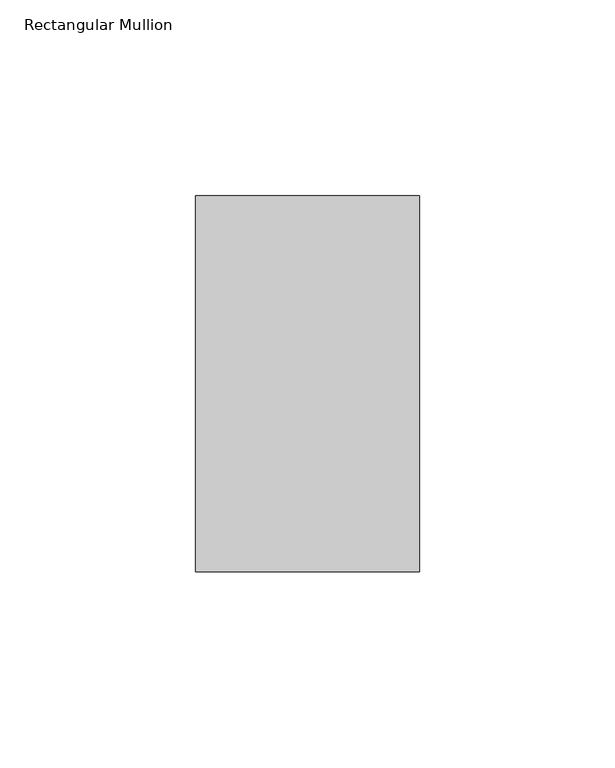
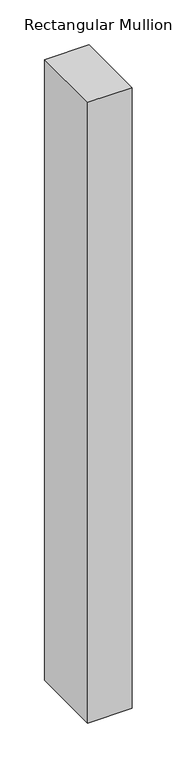
"""IFC4 building model written with IfcOpenShell, lengths in millimetres: member geometry, Rectangular Mullion."""

from ifc_helpers import new_model, si_unit, frame, origin, place, context, project, spatial, polyline, outline, extrude, source, transform, mapped, element, save


def rectangular_mullion_8e22d412(model_context):
    return source(origin(), model_context, "Body", "SweptSolid", [
        extrude(outline(polyline([(28.575, 152.765125), (28.575, 56.753125), (-28.575, 56.753125), (-28.575, 152.765125), (28.575, 152.765125)])), frame((0.0, 0.0, -844.4484), z_axis=(0.0, 0.0, 1.0), x_axis=(1.0, 0.0, 0.0)), (0.0, 0.0, 1.0), 844.4484),
    ])


if __name__ == "__main__":
    model = new_model("IFC4")
    model_context = context("Model", 3, world=origin())
    ifc_project = project(units=[si_unit("LENGTHUNIT", "METRE", prefix="MILLI")], contexts=[model_context])
    site = spatial("IfcSite", under=ifc_project)
    building = spatial("IfcBuilding", under=site)
    placement = place(None, origin())
    rectangular_mullion_shape = rectangular_mullion_8e22d412(model_context)
    element("IfcMember", 1, ObjectType="Rectangular Mullion", at=placement, inside=building, context=model_context, shape_type="MappedRepresentation", body=[
        mapped(rectangular_mullion_shape, transform((0.0, 0.0, 0.0), x_axis=(1.0, 0.0, 0.0), y_axis=(0.0, 1.0, 0.0), z_axis=(0.0, 0.0, 1.0))),
    ])
    save(model, "model.ifc")
